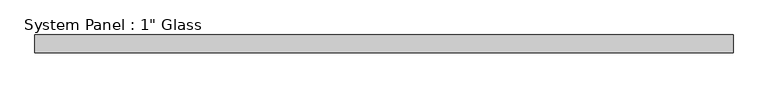
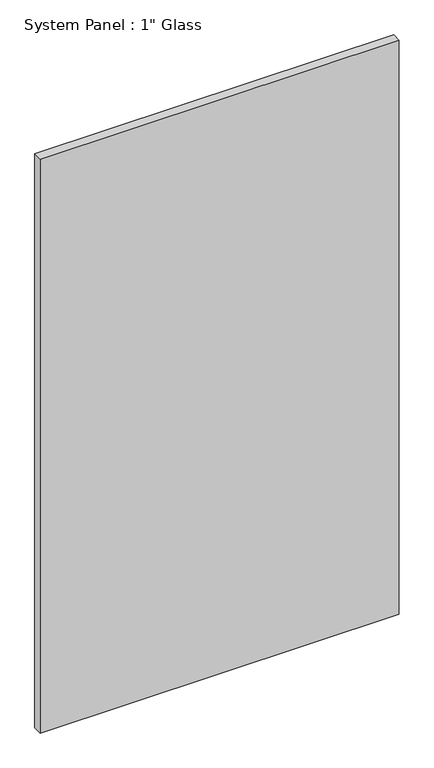
"""IFC4 building model written with IfcOpenShell, lengths in millimetres: plate geometry."""

from ifc_helpers import new_model, si_unit, origin, origin_with_axes, place, context, project, spatial, polyline, outline, extrude, source, transform, mapped, element, save


def plate_0710a91f(model_context):
    return source(origin(), model_context, "Body", "SweptSolid", [
        extrude(outline(polyline([(501.65, -12.7), (-501.65, -12.7), (-501.65, 12.7), (501.65, 12.7), (501.65, -12.7)])), origin_with_axes(), (0.0, 0.0, 1.0), 1695.45),
    ])


if __name__ == "__main__":
    model = new_model("IFC4")
    model_context = context("Model", 3, world=origin())
    ifc_project = project(units=[si_unit("LENGTHUNIT", "METRE", prefix="MILLI")], contexts=[model_context])
    site = spatial("IfcSite", under=ifc_project)
    building = spatial("IfcBuilding", under=site)
    placement = place(None, origin())
    plate_shape = plate_0710a91f(model_context)
    element("IfcPlate", 1, ObjectType="System Panel : 1\" Glass", at=placement, inside=building, context=model_context, shape_type="MappedRepresentation", body=[
        mapped(plate_shape, transform((0.0, 0.0, 0.0), x_axis=(1.0, 0.0, 0.0), y_axis=(0.0, 1.0, 0.0), z_axis=(0.0, 0.0, 1.0))),
    ])
    save(model, "model.ifc")
